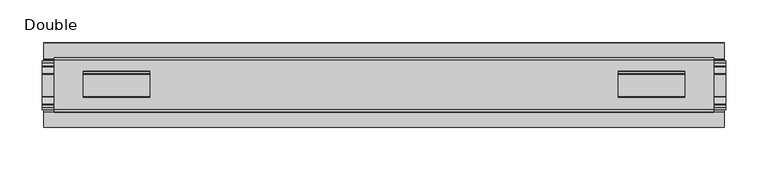
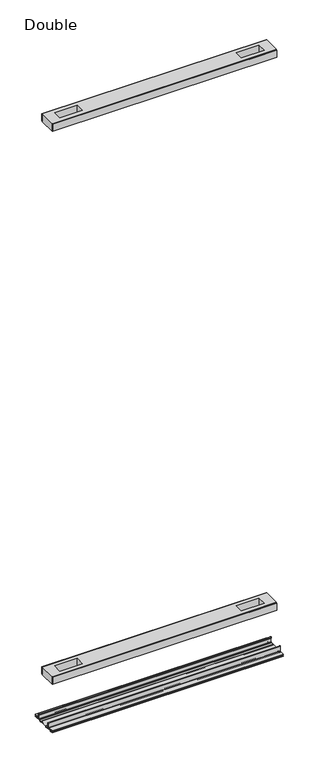
"""IFC4 building model written with IfcOpenShell, lengths in millimetres: proxy geometry, Double."""

from ifc_helpers import new_model, si_unit, point, frame, frame_2d, origin, place, context, project, spatial, polyline, circle_curve, trimmed, segment, composite_curve, outline, extrude, source, transform, mapped, element, save


def double_ef0d6144(model_context):
    return source(origin(), model_context, "Body", "SweptSolid", [
        extrude(outline(polyline([(390.4615091, 29.0068005), (-390.4615091, 29.0068005), (-390.4615091, 32.1817997), (390.4615091, 32.1817997), (390.4615091, 29.0068005)])), frame((0.0, 0.0, 2186.2851593), z_axis=(0.0, 0.0, 1.0), x_axis=(1.0, 0.0, 0.0)), (0.0, 0.0, 1.0), 25.3999939),
        extrude(outline(polyline([(390.4615091, -32.1817997), (-390.4615091, -32.1817997), (-390.4615091, -29.0068005), (390.4615091, -29.0068005), (390.4615091, -32.1817997)])), frame((0.0, 0.0, 2186.2851593), z_axis=(0.0, 0.0, 1.0), x_axis=(1.0, 0.0, 0.0)), (0.0, 0.0, 1.0), 25.3999939),
        extrude(outline(polyline([(390.4615091, -29.0068005), (-390.4615091, -29.0068005), (-390.4615091, 29.0068005), (390.4615091, 29.0068005), (390.4615091, -29.0068005)]), holes=[polyline([(356.0444965, -15.1130038), (356.0444965, 15.875003), (276.9996847, 15.875003), (276.9996847, -15.1130038), (356.0444965, -15.1130038)]), polyline([(-356.0444965, -15.1130038), (-276.9996847, -15.1130038), (-276.9996847, 15.875003), (-356.0444965, 15.875003), (-356.0444965, -15.1130038)])]), frame((0.0, 0.0, 2184.9851569), z_axis=(0.0, 0.0, 1.0), x_axis=(1.0, 0.0, 0.0)), (0.0, 0.0, 1.0), 27.9999988),
        extrude(outline(polyline([(390.4615091, 29.0068005), (-390.4615091, 29.0068005), (-390.4615091, 32.1817997), (390.4615091, 32.1817997), (390.4615091, 29.0068005)])), frame((0.0, 0.0, 149.8401622), z_axis=(0.0, 0.0, 1.0), x_axis=(1.0, 0.0, 0.0)), (0.0, 0.0, 1.0), 25.3999939),
        extrude(outline(polyline([(390.4615091, -32.1817997), (-390.4615091, -32.1817997), (-390.4615091, -29.0068005), (390.4615091, -29.0068005), (390.4615091, -32.1817997)])), frame((0.0, 0.0, 149.8401622), z_axis=(0.0, 0.0, 1.0), x_axis=(1.0, 0.0, 0.0)), (0.0, 0.0, 1.0), 25.3999939),
        extrude(outline(polyline([(390.4615091, -29.0068005), (-390.4615091, -29.0068005), (-390.4615091, 29.0068005), (390.4615091, 29.0068005), (390.4615091, -29.0068005)]), holes=[polyline([(356.0444965, -15.1130038), (356.0444965, 15.875003), (276.9996847, 15.875003), (276.9996847, -15.1130038), (356.0444965, -15.1130038)]), polyline([(-356.0444965, -15.1130038), (-276.9996847, -15.1130038), (-276.9996847, 15.875003), (-356.0444965, 15.875003), (-356.0444965, -15.1130038)])]), frame((0.0, 0.0, 148.4185847), z_axis=(0.0, 0.0, 1.0), x_axis=(1.0, 0.0, 0.0)), (0.0, 0.0, 1.0), 27.9999988),
        extrude(outline(composite_curve([segment(trimmed(circle_curve(frame_2d((26.6420561, -7.7516037)), 2.17424), [point((28.8162961, -7.7516037))], [point((26.6420561, -9.9258438))], False, "CARTESIAN"), True, "CONTINUOUS"), segment(polyline([(26.6420561, -9.9258438), (22.3510694, -9.9258438)]), True, "CONTINUOUS"), segment(trimmed(circle_curve(frame_2d((17.7706549, -6.4800016)), 5.7318431), [point((22.3510694, -9.9258438))], [point((13.1902404, -9.9258438))], False, "CARTESIAN"), True, "CONTINUOUS"), segment(polyline([(13.1902404, -9.9258438), (-13.57124, -9.9258438)]), True, "CONTINUOUS"), segment(trimmed(circle_curve(frame_2d((-18.1516545, -6.4800016)), 5.7318431), [point((-13.57124, -9.9258438))], [point((-22.732069, -9.9258438))], False, "CARTESIAN"), True, "CONTINUOUS"), segment(polyline([(-22.732069, -9.9258438), (-27.0230557, -9.9258438)]), True, "CONTINUOUS"), segment(trimmed(circle_curve(frame_2d((-27.0230557, -7.7516037)), 2.17424), [point((-27.0230557, -9.9258438))], [point((-29.1972958, -7.7516037))], False, "CARTESIAN"), True, "CONTINUOUS"), segment(polyline([(-29.1972958, -7.7516037), (-29.1972958, 9.8607558)]), True, "CONTINUOUS"), segment(trimmed(circle_curve(frame_2d((-27.9780978, 9.8607558)), 1.2191979), [point((-29.1972958, 9.8607558))], [point((-26.7588999, 9.8607558))], False, "CARTESIAN"), True, "CONTINUOUS"), segment(polyline([(-26.7588999, 9.8607558), (-26.7588999, 5.9999563), (-28.0390765, 5.9999563), (-28.0390765, -7.7516037)]), True, "CONTINUOUS"), segment(trimmed(circle_curve(frame_2d((-27.0230557, -7.7516037)), 1.0160208), [point((-28.0390765, -7.7516037))], [point((-27.0295728, -8.7676036))], True, "CARTESIAN"), True, "CONTINUOUS"), segment(polyline([(-27.0295728, -8.7676036), (-23.0866222, -8.7676036), (-22.1732605, -8.968753)]), True, "CONTINUOUS"), segment(trimmed(circle_curve(frame_2d((-18.1483018, -6.1259382)), 4.9276657), [point((-22.1732605, -8.968753))], [point((-14.123343, -8.968753))], True, "CARTESIAN"), True, "CONTINUOUS"), segment(polyline([(-14.123343, -8.968753), (-13.2099722, -8.7676036), (12.8289726, -8.7676036), (13.7423434, -8.968753)]), True, "CONTINUOUS"), segment(trimmed(circle_curve(frame_2d((17.7673021, -6.1259382)), 4.9276657), [point((13.7423434, -8.968753))], [point((21.7922609, -8.968753))], True, "CARTESIAN"), True, "CONTINUOUS"), segment(polyline([(21.7922609, -8.968753), (22.7056226, -8.7676036), (26.6485732, -8.7676036)]), True, "CONTINUOUS"), segment(trimmed(circle_curve(frame_2d((26.6420561, -7.7516037)), 1.0160208), [point((26.6485732, -8.7676036))], [point((27.6580769, -7.7516037))], True, "CARTESIAN"), True, "CONTINUOUS"), segment(polyline([(27.6580769, -7.7516037), (27.6580769, 5.9999563), (26.3779003, 5.9999563), (26.3779003, 9.8607558)]), True, "CONTINUOUS"), segment(trimmed(circle_curve(frame_2d((27.5970982, 9.8607558)), 1.2191979), [point((26.3779003, 9.8607558))], [point((28.8162961, 9.8607558))], False, "CARTESIAN"), True, "CONTINUOUS"), segment(polyline([(28.8162961, 9.8607558), (28.8162961, -7.7516037)]), True, "CONTINUOUS")], self_intersect=False)), frame((-404.5204, 0.0, 0.0), z_axis=(1.0, 0.0, 0.0), x_axis=(0.0, 1.0, 0.0)), (0.0, 0.0, 1.0), 809.0408),
        extrude(outline(composite_curve([segment(polyline([(50.2668422, -13.9898438), (39.6557522, -13.9898438)]), True, "CONTINUOUS"), segment(trimmed(circle_curve(frame_2d((39.6557522, -12.4658438)), 1.524), [point((39.6557522, -13.9898438))], [point((38.1317522, -12.4658438))], False, "CARTESIAN"), True, "CONTINUOUS"), segment(polyline([(38.1317522, -12.4658438), (38.1317522, -7.766844), (31.3054974, -7.766844), (31.3054974, -10.0528438)]), True, "CONTINUOUS"), segment(trimmed(circle_curve(frame_2d((29.7814974, -10.0528438)), 1.524), [point((31.3054974, -10.0528438))], [point((29.7814974, -11.5768438))], False, "CARTESIAN"), True, "CONTINUOUS"), segment(polyline([(29.7814974, -11.5768438), (23.2753553, -11.5768438)]), True, "CONTINUOUS"), segment(trimmed(circle_curve(frame_2d((17.7673021, -6.4968436)), 7.4930002), [point((23.2753553, -11.5768438))], [point((12.5094972, -11.8354331))], False, "CARTESIAN"), True, "CONTINUOUS"), segment(polyline([(12.5094972, -11.8354331), (-12.8904968, -11.8354331)]), True, "CONTINUOUS"), segment(trimmed(circle_curve(frame_2d((-18.1483018, -6.4968436)), 7.4930002), [point((-12.8904968, -11.8354331))], [point((-23.6563549, -11.5768438))], False, "CARTESIAN"), True, "CONTINUOUS"), segment(polyline([(-23.6563549, -11.5768438), (-30.1624971, -11.5768438)]), True, "CONTINUOUS"), segment(trimmed(circle_curve(frame_2d((-30.1624971, -10.0528438)), 1.524), [point((-30.1624971, -11.5768438))], [point((-31.686497, -10.0528438))], False, "CARTESIAN"), True, "CONTINUOUS"), segment(polyline([(-31.686497, -10.0528438), (-31.686497, -7.766844), (-38.5127519, -7.766844), (-38.5127519, -12.4658438)]), True, "CONTINUOUS"), segment(trimmed(circle_curve(frame_2d((-40.0367518, -12.4658438)), 1.524), [point((-38.5127519, -12.4658438))], [point((-40.0367518, -13.9898438))], False, "CARTESIAN"), True, "CONTINUOUS"), segment(polyline([(-40.0367518, -13.9898438), (-50.00625, -13.9898438), (-50.00625, -12.3388438), (-40.1637503, -12.3388438), (-40.1637503, -7.766844), (-50.00625, -7.766844), (-50.00625, -6.1158439), (-31.6239218, -6.1158439)]), True, "CONTINUOUS"), segment(trimmed(circle_curve(frame_2d((-31.6864982, -7.7656583)), 1.6510007), [point((-31.6239218, -6.1158439))], [point((-30.0354975, -7.7656583))], False, "CARTESIAN"), True, "CONTINUOUS"), segment(polyline([(-30.0354975, -7.7656583), (-30.0354975, -9.9258438), (-23.486834, -9.9258438)]), True, "CONTINUOUS"), segment(trimmed(circle_curve(frame_2d((-18.1483018, -5.2268471)), 7.1119966), [point((-23.486834, -9.9258438))], [point((-12.8097695, -9.9258438))], True, "CARTESIAN"), True, "CONTINUOUS"), segment(polyline([(-12.8097695, -9.9258438), (12.4287699, -9.9258438)]), True, "CONTINUOUS"), segment(trimmed(circle_curve(frame_2d((17.7673021, -5.2268471)), 7.1119966), [point((12.4287699, -9.9258438))], [point((23.1058344, -9.9258438))], True, "CARTESIAN"), True, "CONTINUOUS"), segment(polyline([(23.1058344, -9.9258438), (29.6544978, -9.9258438), (29.6544978, -7.6398436)]), True, "CONTINUOUS"), segment(trimmed(circle_curve(frame_2d((31.1784975, -7.6398436)), 1.5239997), [point((29.6544978, -7.6398436))], [point((31.1784975, -6.1158439))], False, "CARTESIAN"), True, "CONTINUOUS"), segment(polyline([(31.1784975, -6.1158439), (50.2668422, -6.1158439), (50.2240211, -7.766844), (39.7827507, -7.766844), (39.7827507, -12.3388438), (50.2240211, -12.3388438), (50.2668422, -13.9898438)]), True, "CONTINUOUS")], self_intersect=False)), frame((-402.8694, 0.0, 0.0), z_axis=(1.0, 0.0, 0.0), x_axis=(0.0, 1.0, 0.0)), (0.0, 0.0, 1.0), 805.7388),
    ])


if __name__ == "__main__":
    model = new_model("IFC4")
    model_context = context("Model", 3, world=origin())
    ifc_project = project(units=[si_unit("LENGTHUNIT", "METRE", prefix="MILLI")], contexts=[model_context])
    site = spatial("IfcSite", under=ifc_project)
    building = spatial("IfcBuilding", under=site)
    placement = place(None, origin())
    double_shape = double_ef0d6144(model_context)
    element("IfcBuildingElementProxy", 1, Name="Double", ObjectType="Double", at=placement, inside=building, context=model_context, shape_type="MappedRepresentation", body=[
        mapped(double_shape, transform((0.0, 0.0, 0.0), x_axis=(1.0, 0.0, 0.0), y_axis=(0.0, 1.0, 0.0), z_axis=(0.0, 0.0, 1.0))),
    ])
    save(model, "model.ifc")
